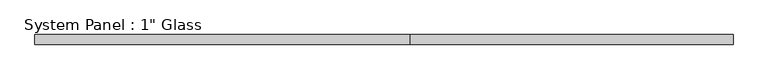
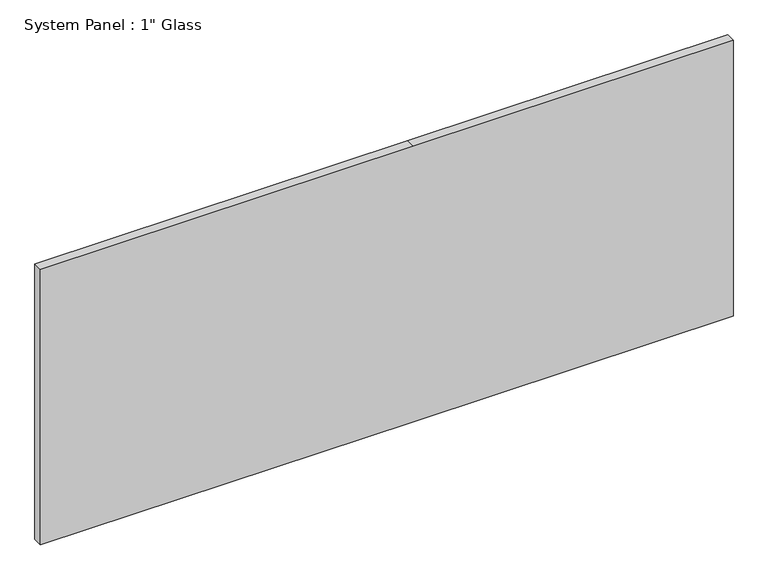
"""IFC4 building model written with IfcOpenShell, lengths in millimetres: plate geometry."""

from ifc_helpers import new_model, si_unit, frame, origin, place, context, project, spatial, polyline, outline, extrude, source, transform, mapped, element, save


def plate_df2f35fa(model_context):
    return source(origin(), model_context, "Body", "SweptSolid", [
        extrude(outline(polyline([(0.0, -920.75), (0.0, 69.85), (0.0, 920.75), (774.7, 920.75), (774.7, 69.85), (774.7, -920.75), (0.0, -920.75)])), frame((0.0, -12.7, 0.0), z_axis=(0.0, 1.0, 0.0), x_axis=(0.0, 0.0, 1.0)), (0.0, 0.0, 1.0), 25.4),
    ])


if __name__ == "__main__":
    model = new_model("IFC4")
    model_context = context("Model", 3, world=origin())
    ifc_project = project(units=[si_unit("LENGTHUNIT", "METRE", prefix="MILLI")], contexts=[model_context])
    site = spatial("IfcSite", under=ifc_project)
    building = spatial("IfcBuilding", under=site)
    placement = place(None, origin())
    plate_shape = plate_df2f35fa(model_context)
    element("IfcPlate", 1, ObjectType="System Panel : 1\" Glass", at=placement, inside=building, context=model_context, shape_type="MappedRepresentation", body=[
        mapped(plate_shape, transform((0.0, 0.0, 0.0), x_axis=(1.0, 0.0, 0.0), y_axis=(0.0, 1.0, 0.0), z_axis=(0.0, 0.0, 1.0))),
    ])
    save(model, "model.ifc")
